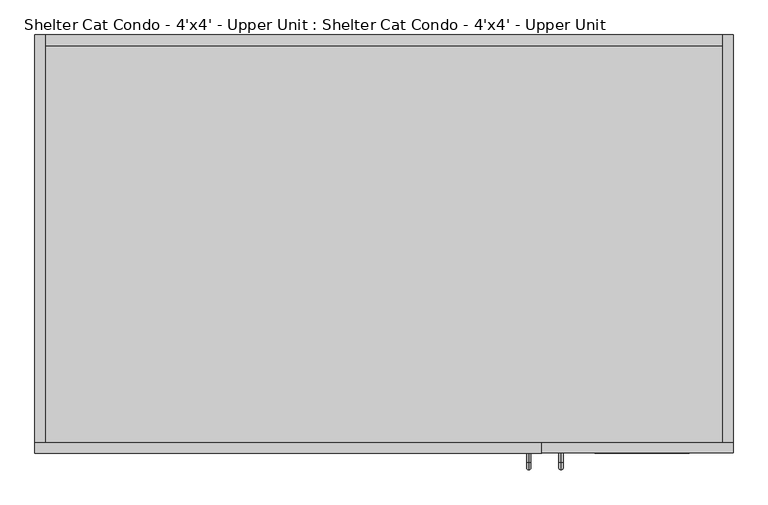
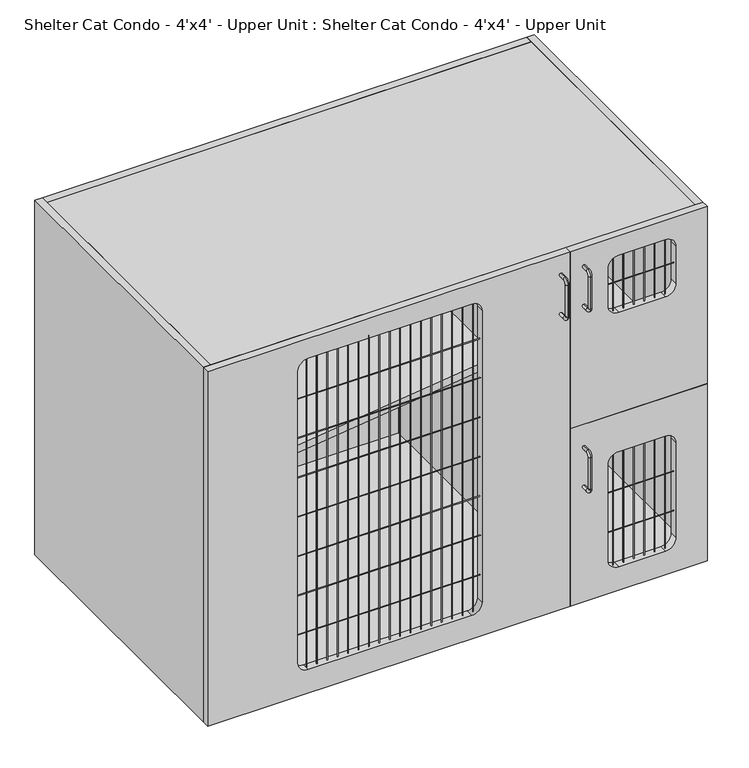
"""IFC4 building model written with IfcOpenShell, lengths in millimetres: proxy geometry, Shelter Cat Condo - 4'x4' - Upper Unit : Shelter Cat Condo - 4'x4' - Upper Unit."""

from ifc_helpers import new_model, si_unit, point, frame, frame_2d, origin, place, context, project, spatial, polyline, circle_curve, ellipse_curve, trimmed, segment, composite_curve, outline, extrude, source, transform, mapped, element, save
from ifc_brep_helpers import plane_surface, cylinder_surface, revolved_surface, advanced_brep


def shelter_cat_condo_4_x4_upper_unit_shelter_cat_condo_4_x4_48e7f030(model_context):
    return source(origin(), model_context, "Body", "SolidModel", [
        advanced_brep(
        [(312.6705172, 0.3007545, 1877.2618154), (312.6705172, 0.3007545, 1885.1131846), (312.6705172, -15.8610223, 1885.1131846), (312.6705172, -15.8610223, 1877.2618154), (312.6705172, -29.0249301, 1871.9492768), (312.6705172, -21.1735609, 1871.9492768), (312.6705172, -29.0249301, 1788.8257232), (312.6705172, -21.1735609, 1788.8257232), (312.6705172, -15.8610223, 1775.6618154), (312.6705172, -15.8610223, 1783.5131846), (312.6705172, 0.3007545, 1783.5131846), (312.6705172, 0.3007545, 1775.6618154)],
        [
            (0, 1, circle_curve(frame((312.6705172, 0.3007545, 1881.1875), z_axis=(0.0, 1.0, 0.0), x_axis=(0.0, 0.0, 1.0)), 3.9256846)),
            (1, 0, circle_curve(frame((312.6705172, 0.3007545, 1881.1875), z_axis=(0.0, 1.0, 0.0), x_axis=(0.0, 0.0, 1.0)), 3.9256846)),
            (1, 2),
            (2, 3, circle_curve(frame((312.6705172, -15.8610223, 1881.1875), z_axis=(0.0, 1.0, 0.0), x_axis=(0.0, 0.0, 1.0)), 3.9256846)),
            (3, 0),
            (3, 2, circle_curve(frame((312.6705172, -15.8610223, 1881.1875), z_axis=(0.0, 1.0, 0.0), x_axis=(0.0, 0.0, 1.0)), 3.9256846)),
            (4, 5, circle_curve(frame((312.6705172, -25.0992455, 1871.9492768), z_axis=(0.0, 0.0, 1.0), x_axis=(0.0, -1.0, 0.0)), 3.9256846)),
            (5, 3, circle_curve(frame((312.6705172, -15.8610223, 1871.9492768), z_axis=(-1.0, 0.0, 0.0), x_axis=(0.0, 0.0, 1.0)), 5.3125387)),
            (2, 4, circle_curve(frame((312.6705172, -15.8610223, 1871.9492768), z_axis=(1.0, 0.0, 0.0), x_axis=(0.0, 0.0, 1.0)), 13.1639078)),
            (5, 4, circle_curve(frame((312.6705172, -25.0992455, 1871.9492768), z_axis=(0.0, 0.0, 1.0), x_axis=(0.0, -1.0, 0.0)), 3.9256846)),
            (4, 6),
            (6, 7, circle_curve(frame((312.6705172, -25.0992455, 1788.8257232), z_axis=(0.0, 0.0, 1.0), x_axis=(0.0, -1.0, 0.0)), 3.9256846)),
            (7, 5),
            (7, 6, circle_curve(frame((312.6705172, -25.0992455, 1788.8257232), z_axis=(0.0, 0.0, 1.0), x_axis=(0.0, -1.0, 0.0)), 3.9256846)),
            (8, 9, circle_curve(frame((312.6705172, -15.8610223, 1779.5875), z_axis=(0.0, -1.0, 0.0), x_axis=(0.0, 0.0, -1.0)), 3.9256846)),
            (9, 7, circle_curve(frame((312.6705172, -15.8610223, 1788.8257232), z_axis=(-1.0, 0.0, 0.0), x_axis=(0.0, -1.0, 0.0)), 5.3125387)),
            (6, 8, circle_curve(frame((312.6705172, -15.8610223, 1788.8257232), z_axis=(1.0, 0.0, 0.0), x_axis=(0.0, -1.0, 0.0)), 13.1639078)),
            (9, 8, circle_curve(frame((312.6705172, -15.8610223, 1779.5875), z_axis=(0.0, -1.0, 0.0), x_axis=(0.0, 0.0, -1.0)), 3.9256846)),
            (10, 11, circle_curve(frame((312.6705172, 0.3007545, 1779.5875), z_axis=(0.0, 1.0, 0.0), x_axis=(0.0, 0.0, -1.0)), 3.9256846)),
            (11, 10, circle_curve(frame((312.6705172, 0.3007545, 1779.5875), z_axis=(0.0, 1.0, 0.0), x_axis=(0.0, 0.0, -1.0)), 3.9256846)),
            (8, 11),
            (10, 9),
        ],
        [
            plane_surface(frame((312.6705172, 0.3007545, 1881.1875), z_axis=(0.0, 1.0, 0.0), x_axis=(-1.0, 0.0, 0.0))),
            cylinder_surface(frame((312.6705172, 0.3007545, 1881.1875), z_axis=(0.0, 1.0, 0.0), x_axis=(0.0, 0.0, 1.0)), 3.9256846),
            revolved_surface(trimmed(ellipse_curve(frame((312.6705172, -15.8610223, 1881.1875), z_axis=(0.0, -1.0, 0.0), x_axis=(0.0, 0.0, 1.0)), 3.9256846, 3.9256846), [point((312.6705172, -15.8610223, 1877.2618154))], [point((312.6705172, -15.8610223, 1885.1131846))], True, "CARTESIAN"), (312.6705172, -15.8610223, 1871.9492768), (-1.0, 0.0, 0.0)),
            revolved_surface(trimmed(ellipse_curve(frame((312.6705172, -15.8610223, 1881.1875), z_axis=(0.0, -1.0, 0.0), x_axis=(0.0, 0.0, 1.0)), 3.9256846, 3.9256846), [point((312.6705172, -15.8610223, 1885.1131846))], [point((312.6705172, -15.8610223, 1877.2618154))], True, "CARTESIAN"), (312.6705172, -15.8610223, 1871.9492768), (-1.0, 0.0, 0.0)),
            cylinder_surface(frame((312.6705172, -25.0992455, 1871.9492768), z_axis=(0.0, 0.0, 1.0), x_axis=(0.0, -1.0, 0.0)), 3.9256846),
            revolved_surface(trimmed(ellipse_curve(frame((312.6705172, -25.0992455, 1788.8257232), z_axis=(0.0, 0.0, -1.0), x_axis=(0.0, -1.0, 0.0)), 3.9256846, 3.9256846), [point((312.6705172, -21.1735609, 1788.8257232))], [point((312.6705172, -29.0249301, 1788.8257232))], True, "CARTESIAN"), (312.6705172, -15.8610223, 1788.8257232), (-1.0, 0.0, 0.0)),
            revolved_surface(trimmed(ellipse_curve(frame((312.6705172, -25.0992455, 1788.8257232), z_axis=(0.0, 0.0, -1.0), x_axis=(0.0, -1.0, 0.0)), 3.9256846, 3.9256846), [point((312.6705172, -29.0249301, 1788.8257232))], [point((312.6705172, -21.1735609, 1788.8257232))], True, "CARTESIAN"), (312.6705172, -15.8610223, 1788.8257232), (-1.0, 0.0, 0.0)),
            plane_surface(frame((312.6705172, 0.3007545, 1779.5875), z_axis=(0.0, 1.0, 0.0), x_axis=(-1.0, 0.0, 0.0))),
            cylinder_surface(frame((312.6705172, -15.8610223, 1779.5875), z_axis=(0.0, -1.0, 0.0), x_axis=(0.0, 0.0, -1.0)), 3.9256846),
        ],
        [
            (0, [[1, 2]]),
            (1, [[3, 4, 5, -2]]),
            (1, [[-5, 6, -3, -1]]),
            (2, [[7, 8, -4, 9]]),
            (3, [[10, -9, -6, -8]]),
            (4, [[11, 12, 13, -7]]),
            (4, [[-13, 14, -11, -10]]),
            (5, [[15, 16, -12, 17]]),
            (6, [[18, -17, -14, -16]]),
            (7, [[19, 20]]),
            (8, [[21, -19, 22, -15]]),
            (8, [[-22, -20, -21, -18]]),
        ],
    ),
        advanced_brep(
        [(312.6705172, 0.3007545, 1410.5368154), (312.6705172, 0.3007545, 1418.3881846), (312.6705172, -15.8610223, 1418.3881846), (312.6705172, -15.8610223, 1410.5368154), (312.6705172, -29.0249301, 1405.2242768), (312.6705172, -21.1735609, 1405.2242768), (312.6705172, -29.0249301, 1322.1007232), (312.6705172, -21.1735609, 1322.1007232), (312.6705172, -15.8610223, 1308.9368154), (312.6705172, -15.8610223, 1316.7881846), (312.6705172, 0.3007545, 1316.7881846), (312.6705172, 0.3007545, 1308.9368154)],
        [
            (0, 1, circle_curve(frame((312.6705172, 0.3007545, 1414.4625), z_axis=(0.0, 1.0, 0.0), x_axis=(0.0, 0.0, 1.0)), 3.9256846)),
            (1, 0, circle_curve(frame((312.6705172, 0.3007545, 1414.4625), z_axis=(0.0, 1.0, 0.0), x_axis=(0.0, 0.0, 1.0)), 3.9256846)),
            (1, 2),
            (2, 3, circle_curve(frame((312.6705172, -15.8610223, 1414.4625), z_axis=(0.0, 1.0, 0.0), x_axis=(0.0, 0.0, 1.0)), 3.9256846)),
            (3, 0),
            (3, 2, circle_curve(frame((312.6705172, -15.8610223, 1414.4625), z_axis=(0.0, 1.0, 0.0), x_axis=(0.0, 0.0, 1.0)), 3.9256846)),
            (4, 5, circle_curve(frame((312.6705172, -25.0992455, 1405.2242768), z_axis=(0.0, 0.0, 1.0), x_axis=(0.0, -1.0, 0.0)), 3.9256846)),
            (5, 3, circle_curve(frame((312.6705172, -15.8610223, 1405.2242768), z_axis=(-1.0, 0.0, 0.0), x_axis=(0.0, 0.0, 1.0)), 5.3125387)),
            (2, 4, circle_curve(frame((312.6705172, -15.8610223, 1405.2242768), z_axis=(1.0, 0.0, 0.0), x_axis=(0.0, 0.0, 1.0)), 13.1639078)),
            (5, 4, circle_curve(frame((312.6705172, -25.0992455, 1405.2242768), z_axis=(0.0, 0.0, 1.0), x_axis=(0.0, -1.0, 0.0)), 3.9256846)),
            (4, 6),
            (6, 7, circle_curve(frame((312.6705172, -25.0992455, 1322.1007232), z_axis=(0.0, 0.0, 1.0), x_axis=(0.0, -1.0, 0.0)), 3.9256846)),
            (7, 5),
            (7, 6, circle_curve(frame((312.6705172, -25.0992455, 1322.1007232), z_axis=(0.0, 0.0, 1.0), x_axis=(0.0, -1.0, 0.0)), 3.9256846)),
            (8, 9, circle_curve(frame((312.6705172, -15.8610223, 1312.8625), z_axis=(0.0, -1.0, 0.0), x_axis=(0.0, 0.0, -1.0)), 3.9256846)),
            (9, 7, circle_curve(frame((312.6705172, -15.8610223, 1322.1007232), z_axis=(-1.0, 0.0, 0.0), x_axis=(0.0, -1.0, 0.0)), 5.3125387)),
            (6, 8, circle_curve(frame((312.6705172, -15.8610223, 1322.1007232), z_axis=(1.0, 0.0, 0.0), x_axis=(0.0, -1.0, 0.0)), 13.1639078)),
            (9, 8, circle_curve(frame((312.6705172, -15.8610223, 1312.8625), z_axis=(0.0, -1.0, 0.0), x_axis=(0.0, 0.0, -1.0)), 3.9256846)),
            (10, 11, circle_curve(frame((312.6705172, 0.3007545, 1312.8625), z_axis=(0.0, 1.0, 0.0), x_axis=(0.0, 0.0, -1.0)), 3.9256846)),
            (11, 10, circle_curve(frame((312.6705172, 0.3007545, 1312.8625), z_axis=(0.0, 1.0, 0.0), x_axis=(0.0, 0.0, -1.0)), 3.9256846)),
            (8, 11),
            (10, 9),
        ],
        [
            plane_surface(frame((312.6705172, 0.3007545, 1414.4625), z_axis=(0.0, 1.0, 0.0), x_axis=(-1.0, 0.0, 0.0))),
            cylinder_surface(frame((312.6705172, 0.3007545, 1414.4625), z_axis=(0.0, 1.0, 0.0), x_axis=(0.0, 0.0, 1.0)), 3.9256846),
            revolved_surface(trimmed(ellipse_curve(frame((312.6705172, -15.8610223, 1414.4625), z_axis=(0.0, -1.0, 0.0), x_axis=(0.0, 0.0, 1.0)), 3.9256846, 3.9256846), [point((312.6705172, -15.8610223, 1410.5368154))], [point((312.6705172, -15.8610223, 1418.3881846))], True, "CARTESIAN"), (312.6705172, -15.8610223, 1405.2242768), (-1.0, 0.0, 0.0)),
            revolved_surface(trimmed(ellipse_curve(frame((312.6705172, -15.8610223, 1414.4625), z_axis=(0.0, -1.0, 0.0), x_axis=(0.0, 0.0, 1.0)), 3.9256846, 3.9256846), [point((312.6705172, -15.8610223, 1418.3881846))], [point((312.6705172, -15.8610223, 1410.5368154))], True, "CARTESIAN"), (312.6705172, -15.8610223, 1405.2242768), (-1.0, 0.0, 0.0)),
            cylinder_surface(frame((312.6705172, -25.0992455, 1405.2242768), z_axis=(0.0, 0.0, 1.0), x_axis=(0.0, -1.0, 0.0)), 3.9256846),
            revolved_surface(trimmed(ellipse_curve(frame((312.6705172, -25.0992455, 1322.1007232), z_axis=(0.0, 0.0, -1.0), x_axis=(0.0, -1.0, 0.0)), 3.9256846, 3.9256846), [point((312.6705172, -21.1735609, 1322.1007232))], [point((312.6705172, -29.0249301, 1322.1007232))], True, "CARTESIAN"), (312.6705172, -15.8610223, 1322.1007232), (-1.0, 0.0, 0.0)),
            revolved_surface(trimmed(ellipse_curve(frame((312.6705172, -25.0992455, 1322.1007232), z_axis=(0.0, 0.0, -1.0), x_axis=(0.0, -1.0, 0.0)), 3.9256846, 3.9256846), [point((312.6705172, -29.0249301, 1322.1007232))], [point((312.6705172, -21.1735609, 1322.1007232))], True, "CARTESIAN"), (312.6705172, -15.8610223, 1322.1007232), (-1.0, 0.0, 0.0)),
            plane_surface(frame((312.6705172, 0.3007545, 1312.8625), z_axis=(0.0, 1.0, 0.0), x_axis=(-1.0, 0.0, 0.0))),
            cylinder_surface(frame((312.6705172, -15.8610223, 1312.8625), z_axis=(0.0, -1.0, 0.0), x_axis=(0.0, 0.0, -1.0)), 3.9256846),
        ],
        [
            (0, [[1, 2]]),
            (1, [[3, 4, 5, -2]]),
            (1, [[-5, 6, -3, -1]]),
            (2, [[7, 8, -4, 9]]),
            (3, [[10, -9, -6, -8]]),
            (4, [[11, 12, 13, -7]]),
            (4, [[-13, 14, -11, -10]]),
            (5, [[15, 16, -12, 17]]),
            (6, [[18, -17, -14, -16]]),
            (7, [[19, 20]]),
            (8, [[21, -19, 22, -15]]),
            (8, [[-22, -20, -21, -18]]),
        ],
    ),
        advanced_brep(
        [(256.2894781, 0.0, 1875.6743154), (256.2894781, 0.0, 1883.5256846), (256.2894781, -16.1617768, 1875.6743154), (256.2894781, -16.1617768, 1883.5256846), (256.2894781, -29.3256846, 1870.3617768), (256.2894781, -21.4743154, 1870.3617768), (256.2894781, -21.4743154, 1787.2382232), (256.2894781, -29.3256846, 1787.2382232), (256.2894781, -16.1617768, 1774.0743154), (256.2894781, -16.1617768, 1781.9256846), (256.2894781, 0.0, 1781.9256846), (256.2894781, 0.0, 1774.0743154)],
        [
            (0, 1, circle_curve(frame((256.2894781, 0.0, 1879.6), z_axis=(0.0, 1.0, 0.0), x_axis=(0.0, 0.0, 1.0)), 3.9256846)),
            (1, 0, circle_curve(frame((256.2894781, 0.0, 1879.6), z_axis=(0.0, 1.0, 0.0), x_axis=(0.0, 0.0, 1.0)), 3.9256846)),
            (0, 2),
            (2, 3, circle_curve(frame((256.2894781, -16.1617768, 1879.6), z_axis=(0.0, 1.0, 0.0), x_axis=(0.0, 0.0, 1.0)), 3.9256846)),
            (3, 1),
            (3, 2, circle_curve(frame((256.2894781, -16.1617768, 1879.6), z_axis=(0.0, 1.0, 0.0), x_axis=(0.0, 0.0, 1.0)), 3.9256846)),
            (4, 3, circle_curve(frame((256.2894781, -16.1617768, 1870.3617768), z_axis=(-1.0, 0.0, 0.0), x_axis=(0.0, 0.0, 1.0)), 13.1639078)),
            (2, 5, circle_curve(frame((256.2894781, -16.1617768, 1870.3617768), z_axis=(1.0, 0.0, 0.0), x_axis=(0.0, 0.0, 1.0)), 5.3125387)),
            (5, 4, circle_curve(frame((256.2894781, -25.4, 1870.3617768), z_axis=(0.0, 0.0, 1.0), x_axis=(0.0, -1.0, 0.0)), 3.9256846)),
            (4, 5, circle_curve(frame((256.2894781, -25.4, 1870.3617768), z_axis=(0.0, 0.0, 1.0), x_axis=(0.0, -1.0, 0.0)), 3.9256846)),
            (5, 6),
            (6, 7, circle_curve(frame((256.2894781, -25.4, 1787.2382232), z_axis=(0.0, 0.0, 1.0), x_axis=(0.0, -1.0, 0.0)), 3.9256846)),
            (7, 4),
            (7, 6, circle_curve(frame((256.2894781, -25.4, 1787.2382232), z_axis=(0.0, 0.0, 1.0), x_axis=(0.0, -1.0, 0.0)), 3.9256846)),
            (8, 7, circle_curve(frame((256.2894781, -16.1617768, 1787.2382232), z_axis=(-1.0, 0.0, 0.0), x_axis=(0.0, -1.0, 0.0)), 13.1639078)),
            (6, 9, circle_curve(frame((256.2894781, -16.1617768, 1787.2382232), z_axis=(1.0, 0.0, 0.0), x_axis=(0.0, -1.0, 0.0)), 5.3125387)),
            (9, 8, circle_curve(frame((256.2894781, -16.1617768, 1778.0), z_axis=(0.0, -1.0, 0.0), x_axis=(0.0, 0.0, -1.0)), 3.9256846)),
            (8, 9, circle_curve(frame((256.2894781, -16.1617768, 1778.0), z_axis=(0.0, -1.0, 0.0), x_axis=(0.0, 0.0, -1.0)), 3.9256846)),
            (10, 11, circle_curve(frame((256.2894781, 0.0, 1778.0), z_axis=(0.0, 1.0, 0.0), x_axis=(0.0, 0.0, -1.0)), 3.9256846)),
            (11, 10, circle_curve(frame((256.2894781, 0.0, 1778.0), z_axis=(0.0, 1.0, 0.0), x_axis=(0.0, 0.0, -1.0)), 3.9256846)),
            (9, 10),
            (11, 8),
        ],
        [
            plane_surface(frame((256.2894781, 0.0, 1879.6), z_axis=(0.0, 1.0, 0.0), x_axis=(1.0, 0.0, 0.0))),
            cylinder_surface(frame((256.2894781, 0.0, 1879.6), z_axis=(0.0, 1.0, 0.0), x_axis=(0.0, 0.0, 1.0)), 3.9256846),
            revolved_surface(trimmed(ellipse_curve(frame((256.2894781, -16.1617768, 1879.6), z_axis=(0.0, 1.0, 0.0), x_axis=(0.0, 0.0, 1.0)), 3.9256846, 3.9256846), [point((256.2894781, -16.1617768, 1875.6743154))], [point((256.2894781, -16.1617768, 1883.5256846))], True, "CARTESIAN"), (256.2894781, -16.1617768, 1870.3617768), (1.0, 0.0, 0.0)),
            revolved_surface(trimmed(ellipse_curve(frame((256.2894781, -16.1617768, 1879.6), z_axis=(0.0, 1.0, 0.0), x_axis=(0.0, 0.0, 1.0)), 3.9256846, 3.9256846), [point((256.2894781, -16.1617768, 1883.5256846))], [point((256.2894781, -16.1617768, 1875.6743154))], True, "CARTESIAN"), (256.2894781, -16.1617768, 1870.3617768), (1.0, 0.0, 0.0)),
            cylinder_surface(frame((256.2894781, -25.4, 1870.3617768), z_axis=(0.0, 0.0, 1.0), x_axis=(0.0, -1.0, 0.0)), 3.9256846),
            revolved_surface(trimmed(ellipse_curve(frame((256.2894781, -25.4, 1787.2382232), z_axis=(0.0, 0.0, 1.0), x_axis=(0.0, -1.0, 0.0)), 3.9256846, 3.9256846), [point((256.2894781, -21.4743154, 1787.2382232))], [point((256.2894781, -29.3256846, 1787.2382232))], True, "CARTESIAN"), (256.2894781, -16.1617768, 1787.2382232), (1.0, 0.0, 0.0)),
            revolved_surface(trimmed(ellipse_curve(frame((256.2894781, -25.4, 1787.2382232), z_axis=(0.0, 0.0, 1.0), x_axis=(0.0, -1.0, 0.0)), 3.9256846, 3.9256846), [point((256.2894781, -29.3256846, 1787.2382232))], [point((256.2894781, -21.4743154, 1787.2382232))], True, "CARTESIAN"), (256.2894781, -16.1617768, 1787.2382232), (1.0, 0.0, 0.0)),
            plane_surface(frame((256.2894781, 0.0, 1778.0), z_axis=(0.0, 1.0, 0.0), x_axis=(1.0, 0.0, 0.0))),
            cylinder_surface(frame((256.2894781, -16.1617768, 1778.0), z_axis=(0.0, -1.0, 0.0), x_axis=(0.0, 0.0, -1.0)), 3.9256846),
        ],
        [
            (0, [[1, 2]]),
            (1, [[-1, 3, 4, 5]]),
            (1, [[-2, -5, 6, -3]]),
            (2, [[7, -4, 8, 9]]),
            (3, [[-8, -6, -7, 10]]),
            (4, [[-9, 11, 12, 13]]),
            (4, [[-10, -13, 14, -11]]),
            (5, [[15, -12, 16, 17]]),
            (6, [[-16, -14, -15, 18]]),
            (7, [[19, 20]]),
            (8, [[-17, 21, -20, 22]]),
            (8, [[-18, -22, -19, -21]]),
        ],
    ),
        extrude(outline(polyline([(1930.4, 594.0516359), (1930.4, -587.0483641), (1016.0, -587.0483641), (1016.0, 594.0516359), (1930.4, 594.0516359)]), holes=[composite_curve([segment(polyline([(1854.2, 65.2957572), (1101.725, 65.2957572)]), True, "CONTINUOUS"), segment(trimmed(circle_curve(frame_2d((1101.725, 39.8957572)), 25.4), [point((1101.725, 65.2957572))], [point((1076.325, 39.8957572))], True, "CARTESIAN"), True, "CONTINUOUS"), segment(polyline([(1076.325, 39.8957572), (1076.325, -359.6303295)]), True, "CONTINUOUS"), segment(trimmed(circle_curve(frame_2d((1101.725, -359.6303295)), 25.4), [point((1076.325, -359.6303295))], [point((1101.725, -385.0303295))], True, "CARTESIAN"), True, "CONTINUOUS"), segment(polyline([(1101.725, -385.0303295), (1854.2, -385.0303295)]), True, "CONTINUOUS"), segment(trimmed(circle_curve(frame_2d((1854.2, -359.6303295)), 25.4), [point((1854.2, -385.0303295))], [point((1879.6, -359.6303295))], True, "CARTESIAN"), True, "CONTINUOUS"), segment(polyline([(1879.6, -359.6303295), (1879.6, 39.8957572)]), True, "CONTINUOUS"), segment(trimmed(circle_curve(frame_2d((1854.2, 39.8957572)), 25.4), [point((1879.6, 39.8957572))], [point((1854.2, 65.2957572))], True, "CARTESIAN"), True, "CONTINUOUS")], self_intersect=False)]), frame((0.0, 711.2, 0.0), z_axis=(0.0, 1.0, 0.0), x_axis=(0.0, 0.0, 1.0)), (0.0, 0.0, 1.0), 19.05),
        extrude(outline(polyline([(594.0516359, 711.2), (594.0516359, 19.05), (289.2516359, 19.05), (289.2516359, 711.2), (594.0516359, 711.2)])), frame((0.0, 0.0, 1503.3625), z_axis=(0.0, 0.0, 1.0), x_axis=(1.0, 0.0, 0.0)), (0.0, 0.0, 1.0), 19.05),
        extrude(outline(polyline([(594.0516359, 711.2), (594.0516359, 19.05), (-587.0483641, 19.05), (-587.0483641, 711.2), (594.0516359, 711.2)])), frame((0.0, 0.0, 1911.35), z_axis=(0.0, 0.0, 1.0), x_axis=(1.0, 0.0, 0.0)), (0.0, 0.0, 1.0), 19.05),
        extrude(outline(polyline([(270.2016359, 711.2), (289.2516359, 711.2), (289.2516359, 19.05), (270.2016359, 19.05), (270.2016359, 711.2)])), frame((0.0, 0.0, 1035.05), z_axis=(0.0, 0.0, 1.0), x_axis=(1.0, 0.0, 0.0)), (0.0, 0.0, 1.0), 876.3),
        extrude(outline(composite_curve([segment(polyline([(1879.6, 49.184), (1879.6, -359.6303295)]), True, "CONTINUOUS"), segment(trimmed(circle_curve(frame_2d((1854.2, -359.6303295)), 25.4), [point((1879.6, -359.6303295))], [point((1854.2, -385.0303295))], False, "CARTESIAN"), True, "CONTINUOUS"), segment(polyline([(1854.2, -385.0303295), (1101.725, -385.0303295)]), True, "CONTINUOUS"), segment(trimmed(circle_curve(frame_2d((1101.725, -359.6303295)), 25.4), [point((1101.725, -385.0303295))], [point((1076.325, -359.6303295))], False, "CARTESIAN"), True, "CONTINUOUS"), segment(polyline([(1076.325, -359.6303295), (1076.325, 49.184)]), True, "CONTINUOUS"), segment(trimmed(circle_curve(frame_2d((1101.725, 49.184)), 25.4), [point((1076.325, 49.184))], [point((1101.725, 74.584))], False, "CARTESIAN"), True, "CONTINUOUS"), segment(polyline([(1101.725, 74.584), (1854.2, 74.584)]), True, "CONTINUOUS"), segment(trimmed(circle_curve(frame_2d((1854.2, 49.184)), 25.4), [point((1854.2, 74.584))], [point((1879.6, 49.184))], False, "CARTESIAN"), True, "CONTINUOUS")], self_intersect=False)), frame((0.0, 717.55, 0.0), z_axis=(0.0, 1.0, 0.0), x_axis=(0.0, 0.0, 1.0)), (0.0, 0.0, 1.0), 6.35),
        extrude(outline(polyline([(270.2016359, 711.2), (270.2016359, 298.45), (-587.0483641, 177.8), (-587.0483641, 711.2), (270.2016359, 711.2)])), frame((0.0, 0.0, 1464.2277216), z_axis=(0.0, 0.0, 1.0), x_axis=(1.0, 0.0, 0.0)), (0.0, 0.0, 1.0), 19.05),
        extrude(outline(polyline([(594.0516359, 19.05), (-587.0483641, 19.05), (-587.0483641, 711.2), (594.0516359, 711.2), (594.0516359, 19.05)])), frame((0.0, 0.0, 1016.0), z_axis=(0.0, 0.0, 1.0), x_axis=(1.0, 0.0, 0.0)), (0.0, 0.0, 1.0), 19.05),
        extrude(outline(polyline([(594.0516359, 730.25), (613.1016359, 730.25), (613.1016359, 19.05), (594.0516359, 19.05), (594.0516359, 730.25)])), frame((0.0, 0.0, 1016.0), z_axis=(0.0, 0.0, 1.0), x_axis=(1.0, 0.0, 0.0)), (0.0, 0.0, 1.0), 914.4),
        extrude(outline(polyline([(-587.0483641, 730.25), (-587.0483641, 19.05), (-606.0983641, 19.05), (-606.0983641, 730.25), (-587.0483641, 730.25)])), frame((0.0, 0.0, 1016.0), z_axis=(0.0, 0.0, 1.0), x_axis=(1.0, 0.0, 0.0)), (0.0, 0.0, 1.0), 914.4),
        extrude(outline(polyline([(1473.2, 613.1016359), (1473.2, 279.0829011), (1016.0, 279.0829011), (1016.0, 613.1016359), (1473.2, 613.1016359)]), holes=[composite_curve([segment(polyline([(1373.1875, 397.2016359), (1373.1875, 511.5016359)]), True, "CONTINUOUS"), segment(trimmed(circle_curve(frame_2d((1347.7875, 511.5016359)), 25.4), [point((1373.1875, 511.5016359))], [point((1347.7875, 536.9016359))], True, "CARTESIAN"), True, "CONTINUOUS"), segment(polyline([(1347.7875, 536.9016359), (1101.725, 536.9016359)]), True, "CONTINUOUS"), segment(trimmed(circle_curve(frame_2d((1101.725, 511.5016359)), 25.4), [point((1101.725, 536.9016359))], [point((1076.325, 511.5016359))], True, "CARTESIAN"), True, "CONTINUOUS"), segment(polyline([(1076.325, 511.5016359), (1076.325, 397.2016359)]), True, "CONTINUOUS"), segment(trimmed(circle_curve(frame_2d((1101.725, 397.2016359)), 25.4), [point((1076.325, 397.2016359))], [point((1101.725, 371.8016359))], True, "CARTESIAN"), True, "CONTINUOUS"), segment(polyline([(1101.725, 371.8016359), (1347.7875, 371.8016359)]), True, "CONTINUOUS"), segment(trimmed(circle_curve(frame_2d((1347.7875, 397.2016359)), 25.4), [point((1347.7875, 371.8016359))], [point((1373.1875, 397.2016359))], True, "CARTESIAN"), True, "CONTINUOUS")], self_intersect=False)]), frame((0.0, 0.3007545, 0.0), z_axis=(0.0, 1.0, 0.0), x_axis=(0.0, 0.0, 1.0)), (0.0, 0.0, 1.0), 19.05),
        extrude(outline(polyline([(1930.4, 613.1016359), (1930.4, 279.0829011), (1473.2, 279.0829011), (1473.2, 613.1016359), (1930.4, 613.1016359)]), holes=[composite_curve([segment(polyline([(1879.6, 397.2016359), (1879.6, 511.5016359)]), True, "CONTINUOUS"), segment(trimmed(circle_curve(frame_2d((1854.2, 511.5016359)), 25.4), [point((1879.6, 511.5016359))], [point((1854.2, 536.9016359))], True, "CARTESIAN"), True, "CONTINUOUS"), segment(polyline([(1854.2, 536.9016359), (1757.8355774, 536.9016359)]), True, "CONTINUOUS"), segment(trimmed(circle_curve(frame_2d((1757.8355774, 511.5016359)), 25.4), [point((1757.8355774, 536.9016359))], [point((1732.4355774, 511.5016359))], True, "CARTESIAN"), True, "CONTINUOUS"), segment(polyline([(1732.4355774, 511.5016359), (1732.4355774, 397.2016359)]), True, "CONTINUOUS"), segment(trimmed(circle_curve(frame_2d((1757.8355774, 397.2016359)), 25.4), [point((1732.4355774, 397.2016359))], [point((1757.8355774, 371.8016359))], True, "CARTESIAN"), True, "CONTINUOUS"), segment(polyline([(1757.8355774, 371.8016359), (1854.2, 371.8016359)]), True, "CONTINUOUS"), segment(trimmed(circle_curve(frame_2d((1854.2, 397.2016359)), 25.4), [point((1854.2, 371.8016359))], [point((1879.6, 397.2016359))], True, "CARTESIAN"), True, "CONTINUOUS")], self_intersect=False)]), frame((0.0, 0.3007545, 0.0), z_axis=(0.0, 1.0, 0.0), x_axis=(0.0, 0.0, 1.0)), (0.0, 0.0, 1.0), 19.05),
        extrude(outline(polyline([(1930.4, 279.0829011), (1930.4, -606.0983641), (1016.0, -606.0983641), (1016.0, 279.0829011), (1930.4, 279.0829011)]), holes=[composite_curve([segment(polyline([(1854.2, 63.9503692), (1101.725, 63.9503692)]), True, "CONTINUOUS"), segment(trimmed(circle_curve(frame_2d((1101.725, 38.5503692)), 25.4), [point((1101.725, 63.9503692))], [point((1076.325, 38.5503692))], True, "CARTESIAN"), True, "CONTINUOUS"), segment(polyline([(1076.325, 38.5503692), (1076.325, -360.1542428)]), True, "CONTINUOUS"), segment(trimmed(circle_curve(frame_2d((1101.725, -360.1542428)), 25.4), [point((1076.325, -360.1542428))], [point((1101.725, -385.5542428))], True, "CARTESIAN"), True, "CONTINUOUS"), segment(polyline([(1101.725, -385.5542428), (1854.2, -385.5542428)]), True, "CONTINUOUS"), segment(trimmed(circle_curve(frame_2d((1854.2, -360.1542428)), 25.4), [point((1854.2, -385.5542428))], [point((1879.6, -360.1542428))], True, "CARTESIAN"), True, "CONTINUOUS"), segment(polyline([(1879.6, -360.1542428), (1879.6, 38.5503692)]), True, "CONTINUOUS"), segment(trimmed(circle_curve(frame_2d((1854.2, 38.5503692)), 25.4), [point((1879.6, 38.5503692))], [point((1854.2, 63.9503692))], True, "CARTESIAN"), True, "CONTINUOUS")], self_intersect=False)]), frame((0.0, 0.0, 0.0), z_axis=(0.0, 1.0, 0.0), x_axis=(0.0, 0.0, 1.0)), (0.0, 0.0, 1.0), 19.05),
        extrude(outline(composite_curve([segment(trimmed(circle_curve(frame_2d((515.7522125, 9.3897752)), 0.79375), [point((514.9584625, 9.3897752))], [point((516.5459625, 9.3897752))], False, "CARTESIAN"), True, "CONTINUOUS"), segment(trimmed(circle_curve(frame_2d((515.7522125, 9.3897752)), 0.79375), [point((516.5459625, 9.3897752))], [point((514.9584625, 9.3897752))], False, "CARTESIAN"), True, "CONTINUOUS")], self_intersect=False)), frame((0.0, 0.0, 1076.325), z_axis=(0.0, 0.0, 1.0), x_axis=(1.0, 0.0, 0.0)), (0.0, 0.0, 1.0), 296.8625),
        extrude(outline(composite_curve([segment(trimmed(circle_curve(frame_2d((490.3522125, 9.3897752)), 0.79375), [point((489.5584625, 9.3897752))], [point((491.1459625, 9.3897752))], False, "CARTESIAN"), True, "CONTINUOUS"), segment(trimmed(circle_curve(frame_2d((490.3522125, 9.3897752)), 0.79375), [point((491.1459625, 9.3897752))], [point((489.5584625, 9.3897752))], False, "CARTESIAN"), True, "CONTINUOUS")], self_intersect=False)), frame((0.0, 0.0, 1076.325), z_axis=(0.0, 0.0, 1.0), x_axis=(1.0, 0.0, 0.0)), (0.0, 0.0, 1.0), 296.8625),
        extrude(outline(composite_curve([segment(trimmed(circle_curve(frame_2d((464.9522125, 9.3897752)), 0.79375), [point((464.1584625, 9.3897752))], [point((465.7459625, 9.3897752))], False, "CARTESIAN"), True, "CONTINUOUS"), segment(trimmed(circle_curve(frame_2d((464.9522125, 9.3897752)), 0.79375), [point((465.7459625, 9.3897752))], [point((464.1584625, 9.3897752))], False, "CARTESIAN"), True, "CONTINUOUS")], self_intersect=False)), frame((0.0, 0.0, 1076.325), z_axis=(0.0, 0.0, 1.0), x_axis=(1.0, 0.0, 0.0)), (0.0, 0.0, 1.0), 296.8625),
        extrude(outline(composite_curve([segment(trimmed(circle_curve(frame_2d((439.5522125, 9.3897752)), 0.79375), [point((438.7584625, 9.3897752))], [point((440.3459625, 9.3897752))], False, "CARTESIAN"), True, "CONTINUOUS"), segment(trimmed(circle_curve(frame_2d((439.5522125, 9.3897752)), 0.79375), [point((440.3459625, 9.3897752))], [point((438.7584625, 9.3897752))], False, "CARTESIAN"), True, "CONTINUOUS")], self_intersect=False)), frame((0.0, 0.0, 1076.325), z_axis=(0.0, 0.0, 1.0), x_axis=(1.0, 0.0, 0.0)), (0.0, 0.0, 1.0), 296.8625),
        extrude(outline(composite_curve([segment(trimmed(circle_curve(frame_2d((414.1522125, 9.3897752)), 0.79375), [point((413.3584625, 9.3897752))], [point((414.9459625, 9.3897752))], False, "CARTESIAN"), True, "CONTINUOUS"), segment(trimmed(circle_curve(frame_2d((414.1522125, 9.3897752)), 0.79375), [point((414.9459625, 9.3897752))], [point((413.3584625, 9.3897752))], False, "CARTESIAN"), True, "CONTINUOUS")], self_intersect=False)), frame((0.0, 0.0, 1076.325), z_axis=(0.0, 0.0, 1.0), x_axis=(1.0, 0.0, 0.0)), (0.0, 0.0, 1.0), 296.8625),
        extrude(outline(composite_curve([segment(trimmed(circle_curve(frame_2d((388.7522125, 9.3897752)), 0.79375), [point((387.9584625, 9.3897752))], [point((389.5459625, 9.3897752))], False, "CARTESIAN"), True, "CONTINUOUS"), segment(trimmed(circle_curve(frame_2d((388.7522125, 9.3897752)), 0.79375), [point((389.5459625, 9.3897752))], [point((387.9584625, 9.3897752))], False, "CARTESIAN"), True, "CONTINUOUS")], self_intersect=False)), frame((0.0, 0.0, 1076.325), z_axis=(0.0, 0.0, 1.0), x_axis=(1.0, 0.0, 0.0)), (0.0, 0.0, 1.0), 296.8625),
        extrude(outline(composite_curve([segment(trimmed(circle_curve(frame_2d((9.3897752, 1806.8115387)), 0.79375), [point((9.3897752, 1807.6052887))], [point((9.3897752, 1806.0177887))], False, "CARTESIAN"), True, "CONTINUOUS"), segment(trimmed(circle_curve(frame_2d((9.3897752, 1806.8115387)), 0.79375), [point((9.3897752, 1806.0177887))], [point((9.3897752, 1807.6052887))], False, "CARTESIAN"), True, "CONTINUOUS")], self_intersect=False)), frame((371.8016359, 0.0, 0.0), z_axis=(1.0, 0.0, 0.0), x_axis=(0.0, 1.0, 0.0)), (0.0, 0.0, 1.0), 165.1),
        extrude(outline(composite_curve([segment(trimmed(circle_curve(frame_2d((515.744844, 9.3928735)), 0.79375), [point((514.951094, 9.3928735))], [point((516.538594, 9.3928735))], False, "CARTESIAN"), True, "CONTINUOUS"), segment(trimmed(circle_curve(frame_2d((515.744844, 9.3928735)), 0.79375), [point((516.538594, 9.3928735))], [point((514.951094, 9.3928735))], False, "CARTESIAN"), True, "CONTINUOUS")], self_intersect=False)), frame((0.0, 0.0, 1732.4355774), z_axis=(0.0, 0.0, 1.0), x_axis=(1.0, 0.0, 0.0)), (0.0, 0.0, 1.0), 147.1644226),
        extrude(outline(composite_curve([segment(trimmed(circle_curve(frame_2d((490.344844, 9.3928735)), 0.79375), [point((489.551094, 9.3928735))], [point((491.138594, 9.3928735))], False, "CARTESIAN"), True, "CONTINUOUS"), segment(trimmed(circle_curve(frame_2d((490.344844, 9.3928735)), 0.79375), [point((491.138594, 9.3928735))], [point((489.551094, 9.3928735))], False, "CARTESIAN"), True, "CONTINUOUS")], self_intersect=False)), frame((0.0, 0.0, 1732.4355774), z_axis=(0.0, 0.0, 1.0), x_axis=(1.0, 0.0, 0.0)), (0.0, 0.0, 1.0), 147.1644226),
        extrude(outline(composite_curve([segment(trimmed(circle_curve(frame_2d((464.944844, 9.3928735)), 0.79375), [point((464.151094, 9.3928735))], [point((465.738594, 9.3928735))], False, "CARTESIAN"), True, "CONTINUOUS"), segment(trimmed(circle_curve(frame_2d((464.944844, 9.3928735)), 0.79375), [point((465.738594, 9.3928735))], [point((464.151094, 9.3928735))], False, "CARTESIAN"), True, "CONTINUOUS")], self_intersect=False)), frame((0.0, 0.0, 1732.4355774), z_axis=(0.0, 0.0, 1.0), x_axis=(1.0, 0.0, 0.0)), (0.0, 0.0, 1.0), 147.1644226),
        extrude(outline(composite_curve([segment(trimmed(circle_curve(frame_2d((439.544844, 9.3928735)), 0.79375), [point((438.751094, 9.3928735))], [point((440.338594, 9.3928735))], False, "CARTESIAN"), True, "CONTINUOUS"), segment(trimmed(circle_curve(frame_2d((439.544844, 9.3928735)), 0.79375), [point((440.338594, 9.3928735))], [point((438.751094, 9.3928735))], False, "CARTESIAN"), True, "CONTINUOUS")], self_intersect=False)), frame((0.0, 0.0, 1732.4355774), z_axis=(0.0, 0.0, 1.0), x_axis=(1.0, 0.0, 0.0)), (0.0, 0.0, 1.0), 147.1644226),
        extrude(outline(composite_curve([segment(trimmed(circle_curve(frame_2d((414.144844, 9.3928735)), 0.79375), [point((413.351094, 9.3928735))], [point((414.938594, 9.3928735))], False, "CARTESIAN"), True, "CONTINUOUS"), segment(trimmed(circle_curve(frame_2d((414.144844, 9.3928735)), 0.79375), [point((414.938594, 9.3928735))], [point((413.351094, 9.3928735))], False, "CARTESIAN"), True, "CONTINUOUS")], self_intersect=False)), frame((0.0, 0.0, 1732.4355774), z_axis=(0.0, 0.0, 1.0), x_axis=(1.0, 0.0, 0.0)), (0.0, 0.0, 1.0), 147.1644226),
        extrude(outline(composite_curve([segment(trimmed(circle_curve(frame_2d((388.744844, 9.3928735)), 0.79375), [point((387.951094, 9.3928735))], [point((389.538594, 9.3928735))], False, "CARTESIAN"), True, "CONTINUOUS"), segment(trimmed(circle_curve(frame_2d((388.744844, 9.3928735)), 0.79375), [point((389.538594, 9.3928735))], [point((387.951094, 9.3928735))], False, "CARTESIAN"), True, "CONTINUOUS")], self_intersect=False)), frame((0.0, 0.0, 1732.4355774), z_axis=(0.0, 0.0, 1.0), x_axis=(1.0, 0.0, 0.0)), (0.0, 0.0, 1.0), 147.1644226),
        extrude(outline(composite_curve([segment(trimmed(circle_curve(frame_2d((9.3897752, 1268.4125)), 0.79375), [point((9.3897752, 1269.20625))], [point((9.3897752, 1267.61875))], False, "CARTESIAN"), True, "CONTINUOUS"), segment(trimmed(circle_curve(frame_2d((9.3897752, 1268.4125)), 0.79375), [point((9.3897752, 1267.61875))], [point((9.3897752, 1269.20625))], False, "CARTESIAN"), True, "CONTINUOUS")], self_intersect=False)), frame((371.8016359, 0.0, 0.0), z_axis=(1.0, 0.0, 0.0), x_axis=(0.0, 1.0, 0.0)), (0.0, 0.0, 1.0), 165.1),
        extrude(outline(composite_curve([segment(trimmed(circle_curve(frame_2d((9.3897752, 1166.8125)), 0.79375), [point((9.3897752, 1167.60625))], [point((9.3897752, 1166.01875))], False, "CARTESIAN"), True, "CONTINUOUS"), segment(trimmed(circle_curve(frame_2d((9.3897752, 1166.8125)), 0.79375), [point((9.3897752, 1166.01875))], [point((9.3897752, 1167.60625))], False, "CARTESIAN"), True, "CONTINUOUS")], self_intersect=False)), frame((371.8016359, 0.0, 0.0), z_axis=(1.0, 0.0, 0.0), x_axis=(0.0, 1.0, 0.0)), (0.0, 0.0, 1.0), 165.1),
        extrude(outline(composite_curve([segment(trimmed(circle_curve(frame_2d((9.3897752, 1776.4125)), 0.79375), [point((9.3897752, 1777.20625))], [point((9.3897752, 1775.61875))], False, "CARTESIAN"), True, "CONTINUOUS"), segment(trimmed(circle_curve(frame_2d((9.3897752, 1776.4125)), 0.79375), [point((9.3897752, 1775.61875))], [point((9.3897752, 1777.20625))], False, "CARTESIAN"), True, "CONTINUOUS")], self_intersect=False)), frame((-385.5542428, 0.0, 0.0), z_axis=(1.0, 0.0, 0.0), x_axis=(0.0, 1.0, 0.0)), (0.0, 0.0, 1.0), 450.85),
        extrude(outline(composite_curve([segment(trimmed(circle_curve(frame_2d((9.3897752, 1674.8125)), 0.79375), [point((9.3897752, 1675.60625))], [point((9.3897752, 1674.01875))], False, "CARTESIAN"), True, "CONTINUOUS"), segment(trimmed(circle_curve(frame_2d((9.3897752, 1674.8125)), 0.79375), [point((9.3897752, 1674.01875))], [point((9.3897752, 1675.60625))], False, "CARTESIAN"), True, "CONTINUOUS")], self_intersect=False)), frame((-385.5542428, 0.0, 0.0), z_axis=(1.0, 0.0, 0.0), x_axis=(0.0, 1.0, 0.0)), (0.0, 0.0, 1.0), 450.85),
        extrude(outline(composite_curve([segment(trimmed(circle_curve(frame_2d((9.3897752, 1573.2125)), 0.79375), [point((9.3897752, 1574.00625))], [point((9.3897752, 1572.41875))], False, "CARTESIAN"), True, "CONTINUOUS"), segment(trimmed(circle_curve(frame_2d((9.3897752, 1573.2125)), 0.79375), [point((9.3897752, 1572.41875))], [point((9.3897752, 1574.00625))], False, "CARTESIAN"), True, "CONTINUOUS")], self_intersect=False)), frame((-385.5542428, 0.0, 0.0), z_axis=(1.0, 0.0, 0.0), x_axis=(0.0, 1.0, 0.0)), (0.0, 0.0, 1.0), 450.85),
        extrude(outline(composite_curve([segment(trimmed(circle_curve(frame_2d((9.3897752, 1471.6125)), 0.79375), [point((9.3897752, 1472.40625))], [point((9.3897752, 1470.81875))], False, "CARTESIAN"), True, "CONTINUOUS"), segment(trimmed(circle_curve(frame_2d((9.3897752, 1471.6125)), 0.79375), [point((9.3897752, 1470.81875))], [point((9.3897752, 1472.40625))], False, "CARTESIAN"), True, "CONTINUOUS")], self_intersect=False)), frame((-385.5542428, 0.0, 0.0), z_axis=(1.0, 0.0, 0.0), x_axis=(0.0, 1.0, 0.0)), (0.0, 0.0, 1.0), 450.85),
        extrude(outline(composite_curve([segment(trimmed(circle_curve(frame_2d((9.3897752, 1370.0125)), 0.79375), [point((9.3897752, 1370.80625))], [point((9.3897752, 1369.21875))], False, "CARTESIAN"), True, "CONTINUOUS"), segment(trimmed(circle_curve(frame_2d((9.3897752, 1370.0125)), 0.79375), [point((9.3897752, 1369.21875))], [point((9.3897752, 1370.80625))], False, "CARTESIAN"), True, "CONTINUOUS")], self_intersect=False)), frame((-385.5542428, 0.0, 0.0), z_axis=(1.0, 0.0, 0.0), x_axis=(0.0, 1.0, 0.0)), (0.0, 0.0, 1.0), 450.85),
        extrude(outline(composite_curve([segment(trimmed(circle_curve(frame_2d((9.3897752, 1268.4125)), 0.79375), [point((9.3897752, 1269.20625))], [point((9.3897752, 1267.61875))], False, "CARTESIAN"), True, "CONTINUOUS"), segment(trimmed(circle_curve(frame_2d((9.3897752, 1268.4125)), 0.79375), [point((9.3897752, 1267.61875))], [point((9.3897752, 1269.20625))], False, "CARTESIAN"), True, "CONTINUOUS")], self_intersect=False)), frame((-385.5542428, 0.0, 0.0), z_axis=(1.0, 0.0, 0.0), x_axis=(0.0, 1.0, 0.0)), (0.0, 0.0, 1.0), 450.85),
        extrude(outline(composite_curve([segment(trimmed(circle_curve(frame_2d((9.3897752, 1166.8125)), 0.79375), [point((9.3897752, 1167.60625))], [point((9.3897752, 1166.01875))], False, "CARTESIAN"), True, "CONTINUOUS"), segment(trimmed(circle_curve(frame_2d((9.3897752, 1166.8125)), 0.79375), [point((9.3897752, 1166.01875))], [point((9.3897752, 1167.60625))], False, "CARTESIAN"), True, "CONTINUOUS")], self_intersect=False)), frame((-385.5542428, 0.0, 0.0), z_axis=(1.0, 0.0, 0.0), x_axis=(0.0, 1.0, 0.0)), (0.0, 0.0, 1.0), 450.85),
        extrude(outline(composite_curve([segment(trimmed(circle_curve(frame_2d((46.9564737, 9.3897752)), 0.79375), [point((46.1627237, 9.3897752))], [point((47.7502237, 9.3897752))], False, "CARTESIAN"), True, "CONTINUOUS"), segment(trimmed(circle_curve(frame_2d((46.9564737, 9.3897752)), 0.79375), [point((47.7502237, 9.3897752))], [point((46.1627237, 9.3897752))], False, "CARTESIAN"), True, "CONTINUOUS")], self_intersect=False)), frame((0.0, 0.0, 1076.325), z_axis=(0.0, 0.0, 1.0), x_axis=(1.0, 0.0, 0.0)), (0.0, 0.0, 1.0), 803.275),
        extrude(outline(composite_curve([segment(trimmed(circle_curve(frame_2d((21.5564737, 9.3897752)), 0.79375), [point((20.7627237, 9.3897752))], [point((22.3502237, 9.3897752))], False, "CARTESIAN"), True, "CONTINUOUS"), segment(trimmed(circle_curve(frame_2d((21.5564737, 9.3897752)), 0.79375), [point((22.3502237, 9.3897752))], [point((20.7627237, 9.3897752))], False, "CARTESIAN"), True, "CONTINUOUS")], self_intersect=False)), frame((0.0, 0.0, 1076.325), z_axis=(0.0, 0.0, 1.0), x_axis=(1.0, 0.0, 0.0)), (0.0, 0.0, 1.0), 803.275),
        extrude(outline(composite_curve([segment(trimmed(circle_curve(frame_2d((-3.8435263, 9.3897752)), 0.79375), [point((-4.6372763, 9.3897752))], [point((-3.0497763, 9.3897752))], False, "CARTESIAN"), True, "CONTINUOUS"), segment(trimmed(circle_curve(frame_2d((-3.8435263, 9.3897752)), 0.79375), [point((-3.0497763, 9.3897752))], [point((-4.6372763, 9.3897752))], False, "CARTESIAN"), True, "CONTINUOUS")], self_intersect=False)), frame((0.0, 0.0, 1076.325), z_axis=(0.0, 0.0, 1.0), x_axis=(1.0, 0.0, 0.0)), (0.0, 0.0, 1.0), 803.275),
        extrude(outline(composite_curve([segment(trimmed(circle_curve(frame_2d((-29.2435263, 9.3897752)), 0.79375), [point((-30.0372763, 9.3897752))], [point((-28.4497763, 9.3897752))], False, "CARTESIAN"), True, "CONTINUOUS"), segment(trimmed(circle_curve(frame_2d((-29.2435263, 9.3897752)), 0.79375), [point((-28.4497763, 9.3897752))], [point((-30.0372763, 9.3897752))], False, "CARTESIAN"), True, "CONTINUOUS")], self_intersect=False)), frame((0.0, 0.0, 1076.325), z_axis=(0.0, 0.0, 1.0), x_axis=(1.0, 0.0, 0.0)), (0.0, 0.0, 1.0), 803.275),
        extrude(outline(composite_curve([segment(trimmed(circle_curve(frame_2d((-54.6435263, 9.3897752)), 0.79375), [point((-55.4372763, 9.3897752))], [point((-53.8497763, 9.3897752))], False, "CARTESIAN"), True, "CONTINUOUS"), segment(trimmed(circle_curve(frame_2d((-54.6435263, 9.3897752)), 0.79375), [point((-53.8497763, 9.3897752))], [point((-55.4372763, 9.3897752))], False, "CARTESIAN"), True, "CONTINUOUS")], self_intersect=False)), frame((0.0, 0.0, 1076.325), z_axis=(0.0, 0.0, 1.0), x_axis=(1.0, 0.0, 0.0)), (0.0, 0.0, 1.0), 803.275),
        extrude(outline(composite_curve([segment(trimmed(circle_curve(frame_2d((-80.0435263, 9.3897752)), 0.79375), [point((-80.8372763, 9.3897752))], [point((-79.2497763, 9.3897752))], False, "CARTESIAN"), True, "CONTINUOUS"), segment(trimmed(circle_curve(frame_2d((-80.0435263, 9.3897752)), 0.79375), [point((-79.2497763, 9.3897752))], [point((-80.8372763, 9.3897752))], False, "CARTESIAN"), True, "CONTINUOUS")], self_intersect=False)), frame((0.0, 0.0, 1076.325), z_axis=(0.0, 0.0, 1.0), x_axis=(1.0, 0.0, 0.0)), (0.0, 0.0, 1.0), 803.275),
        extrude(outline(composite_curve([segment(trimmed(circle_curve(frame_2d((-105.4435263, 9.3897752)), 0.79375), [point((-106.2372763, 9.3897752))], [point((-104.6497763, 9.3897752))], False, "CARTESIAN"), True, "CONTINUOUS"), segment(trimmed(circle_curve(frame_2d((-105.4435263, 9.3897752)), 0.79375), [point((-104.6497763, 9.3897752))], [point((-106.2372763, 9.3897752))], False, "CARTESIAN"), True, "CONTINUOUS")], self_intersect=False)), frame((0.0, 0.0, 1076.325), z_axis=(0.0, 0.0, 1.0), x_axis=(1.0, 0.0, 0.0)), (0.0, 0.0, 1.0), 803.275),
        extrude(outline(composite_curve([segment(trimmed(circle_curve(frame_2d((-130.8435263, 9.3897752)), 0.79375), [point((-131.6372763, 9.3897752))], [point((-130.0497763, 9.3897752))], False, "CARTESIAN"), True, "CONTINUOUS"), segment(trimmed(circle_curve(frame_2d((-130.8435263, 9.3897752)), 0.79375), [point((-130.0497763, 9.3897752))], [point((-131.6372763, 9.3897752))], False, "CARTESIAN"), True, "CONTINUOUS")], self_intersect=False)), frame((0.0, 0.0, 1076.325), z_axis=(0.0, 0.0, 1.0), x_axis=(1.0, 0.0, 0.0)), (0.0, 0.0, 1.0), 803.275),
        extrude(outline(composite_curve([segment(trimmed(circle_curve(frame_2d((-156.2435263, 9.3897752)), 0.79375), [point((-157.0372763, 9.3897752))], [point((-155.4497763, 9.3897752))], False, "CARTESIAN"), True, "CONTINUOUS"), segment(trimmed(circle_curve(frame_2d((-156.2435263, 9.3897752)), 0.79375), [point((-155.4497763, 9.3897752))], [point((-157.0372763, 9.3897752))], False, "CARTESIAN"), True, "CONTINUOUS")], self_intersect=False)), frame((0.0, 0.0, 1076.325), z_axis=(0.0, 0.0, 1.0), x_axis=(1.0, 0.0, 0.0)), (0.0, 0.0, 1.0), 803.275),
        extrude(outline(composite_curve([segment(trimmed(circle_curve(frame_2d((-181.6435263, 9.3897752)), 0.79375), [point((-182.4372763, 9.3897752))], [point((-180.8497763, 9.3897752))], False, "CARTESIAN"), True, "CONTINUOUS"), segment(trimmed(circle_curve(frame_2d((-181.6435263, 9.3897752)), 0.79375), [point((-180.8497763, 9.3897752))], [point((-182.4372763, 9.3897752))], False, "CARTESIAN"), True, "CONTINUOUS")], self_intersect=False)), frame((0.0, 0.0, 1076.325), z_axis=(0.0, 0.0, 1.0), x_axis=(1.0, 0.0, 0.0)), (0.0, 0.0, 1.0), 803.275),
        extrude(outline(composite_curve([segment(trimmed(circle_curve(frame_2d((-207.0435263, 9.3897752)), 0.79375), [point((-207.8372763, 9.3897752))], [point((-206.2497763, 9.3897752))], False, "CARTESIAN"), True, "CONTINUOUS"), segment(trimmed(circle_curve(frame_2d((-207.0435263, 9.3897752)), 0.79375), [point((-206.2497763, 9.3897752))], [point((-207.8372763, 9.3897752))], False, "CARTESIAN"), True, "CONTINUOUS")], self_intersect=False)), frame((0.0, 0.0, 1076.325), z_axis=(0.0, 0.0, 1.0), x_axis=(1.0, 0.0, 0.0)), (0.0, 0.0, 1.0), 803.275),
        extrude(outline(composite_curve([segment(trimmed(circle_curve(frame_2d((-232.4435263, 9.3897752)), 0.79375), [point((-233.2372763, 9.3897752))], [point((-231.6497763, 9.3897752))], False, "CARTESIAN"), True, "CONTINUOUS"), segment(trimmed(circle_curve(frame_2d((-232.4435263, 9.3897752)), 0.79375), [point((-231.6497763, 9.3897752))], [point((-233.2372763, 9.3897752))], False, "CARTESIAN"), True, "CONTINUOUS")], self_intersect=False)), frame((0.0, 0.0, 1076.325), z_axis=(0.0, 0.0, 1.0), x_axis=(1.0, 0.0, 0.0)), (0.0, 0.0, 1.0), 803.275),
        extrude(outline(composite_curve([segment(trimmed(circle_curve(frame_2d((-257.8435263, 9.3897752)), 0.79375), [point((-258.6372763, 9.3897752))], [point((-257.0497763, 9.3897752))], False, "CARTESIAN"), True, "CONTINUOUS"), segment(trimmed(circle_curve(frame_2d((-257.8435263, 9.3897752)), 0.79375), [point((-257.0497763, 9.3897752))], [point((-258.6372763, 9.3897752))], False, "CARTESIAN"), True, "CONTINUOUS")], self_intersect=False)), frame((0.0, 0.0, 1076.325), z_axis=(0.0, 0.0, 1.0), x_axis=(1.0, 0.0, 0.0)), (0.0, 0.0, 1.0), 803.275),
        extrude(outline(composite_curve([segment(trimmed(circle_curve(frame_2d((-283.2435263, 9.3897752)), 0.79375), [point((-284.0372763, 9.3897752))], [point((-282.4497763, 9.3897752))], False, "CARTESIAN"), True, "CONTINUOUS"), segment(trimmed(circle_curve(frame_2d((-283.2435263, 9.3897752)), 0.79375), [point((-282.4497763, 9.3897752))], [point((-284.0372763, 9.3897752))], False, "CARTESIAN"), True, "CONTINUOUS")], self_intersect=False)), frame((0.0, 0.0, 1076.325), z_axis=(0.0, 0.0, 1.0), x_axis=(1.0, 0.0, 0.0)), (0.0, 0.0, 1.0), 803.275),
        extrude(outline(composite_curve([segment(trimmed(circle_curve(frame_2d((-308.6435263, 9.3897752)), 0.79375), [point((-309.4372763, 9.3897752))], [point((-307.8497763, 9.3897752))], False, "CARTESIAN"), True, "CONTINUOUS"), segment(trimmed(circle_curve(frame_2d((-308.6435263, 9.3897752)), 0.79375), [point((-307.8497763, 9.3897752))], [point((-309.4372763, 9.3897752))], False, "CARTESIAN"), True, "CONTINUOUS")], self_intersect=False)), frame((0.0, 0.0, 1076.325), z_axis=(0.0, 0.0, 1.0), x_axis=(1.0, 0.0, 0.0)), (0.0, 0.0, 1.0), 803.275),
        extrude(outline(composite_curve([segment(trimmed(circle_curve(frame_2d((-334.0435263, 9.3897752)), 0.79375), [point((-334.8372763, 9.3897752))], [point((-333.2497763, 9.3897752))], False, "CARTESIAN"), True, "CONTINUOUS"), segment(trimmed(circle_curve(frame_2d((-334.0435263, 9.3897752)), 0.79375), [point((-333.2497763, 9.3897752))], [point((-334.8372763, 9.3897752))], False, "CARTESIAN"), True, "CONTINUOUS")], self_intersect=False)), frame((0.0, 0.0, 1076.325), z_axis=(0.0, 0.0, 1.0), x_axis=(1.0, 0.0, 0.0)), (0.0, 0.0, 1.0), 803.275),
        extrude(outline(composite_curve([segment(trimmed(circle_curve(frame_2d((-359.4435263, 9.3897752)), 0.79375), [point((-360.2372763, 9.3897752))], [point((-358.6497763, 9.3897752))], False, "CARTESIAN"), True, "CONTINUOUS"), segment(trimmed(circle_curve(frame_2d((-359.4435263, 9.3897752)), 0.79375), [point((-358.6497763, 9.3897752))], [point((-360.2372763, 9.3897752))], False, "CARTESIAN"), True, "CONTINUOUS")], self_intersect=False)), frame((0.0, 0.0, 1076.325), z_axis=(0.0, 0.0, 1.0), x_axis=(1.0, 0.0, 0.0)), (0.0, 0.0, 1.0), 803.275),
    ])


if __name__ == "__main__":
    model = new_model("IFC4")
    model_context = context("Model", 3, world=origin())
    ifc_project = project(units=[si_unit("LENGTHUNIT", "METRE", prefix="MILLI")], contexts=[model_context])
    site = spatial("IfcSite", under=ifc_project)
    building = spatial("IfcBuilding", under=site)
    placement = place(None, origin())
    shelter_cat_condo_4_x4_upper_unit_shelter_cat_condo_4_x4_shape = shelter_cat_condo_4_x4_upper_unit_shelter_cat_condo_4_x4_48e7f030(model_context)
    element("IfcBuildingElementProxy", 1, Name="Shelter Cat Condo - 4'x4' - Upper Unit : Shelter Cat Condo - 4'x4' - Upper Unit", ObjectType="Shelter Cat Condo - 4'x4' - Upper Unit : Shelter Cat Condo - 4'x4' - Upper Unit", at=placement, inside=building, context=model_context, shape_type="MappedRepresentation", body=[
        mapped(shelter_cat_condo_4_x4_upper_unit_shelter_cat_condo_4_x4_shape, transform((0.0, 0.0, 0.0), x_axis=(1.0, 0.0, 0.0), y_axis=(0.0, 1.0, 0.0), z_axis=(0.0, 0.0, 1.0))),
    ])
    save(model, "model.ifc")
